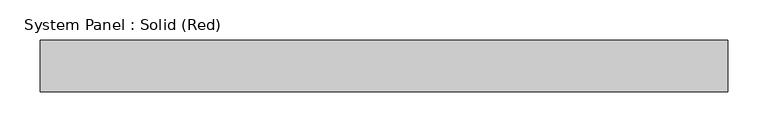
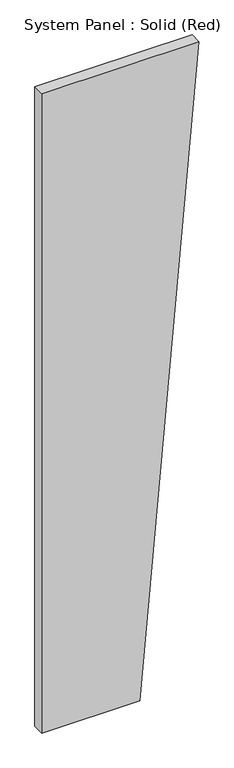
"""IFC4 building model written with IfcOpenShell, lengths in millimetres: plate geometry, System Panel : Solid (Red)."""

from ifc_helpers import new_model, si_unit, frame, origin, place, context, project, spatial, polyline, outline, extrude, source, transform, mapped, element, save


def system_panel_solid_red_f7155df9(model_context):
    return source(origin(), model_context, "Body", "SweptSolid", [
        extrude(outline(polyline([(0.0, -425.1157893), (0.0, 104.2736841), (3657.6, 425.1157893), (3657.6, -425.1157893), (0.0, -425.1157893)])), frame((0.0, -19.05, 0.0), z_axis=(0.0, 1.0, 0.0), x_axis=(0.0, 0.0, 1.0)), (0.0, 0.0, 1.0), 63.5),
    ])


if __name__ == "__main__":
    model = new_model("IFC4")
    model_context = context("Model", 3, world=origin())
    ifc_project = project(units=[si_unit("LENGTHUNIT", "METRE", prefix="MILLI")], contexts=[model_context])
    site = spatial("IfcSite", under=ifc_project)
    building = spatial("IfcBuilding", under=site)
    placement = place(None, origin())
    system_panel_solid_red_shape = system_panel_solid_red_f7155df9(model_context)
    element("IfcPlate", 1, ObjectType="System Panel : Solid (Red)", at=placement, inside=building, context=model_context, shape_type="MappedRepresentation", body=[
        mapped(system_panel_solid_red_shape, transform((0.0, 0.0, 0.0), x_axis=(1.0, 0.0, 0.0), y_axis=(0.0, 1.0, 0.0), z_axis=(0.0, 0.0, 1.0))),
    ])
    save(model, "model.ifc")
